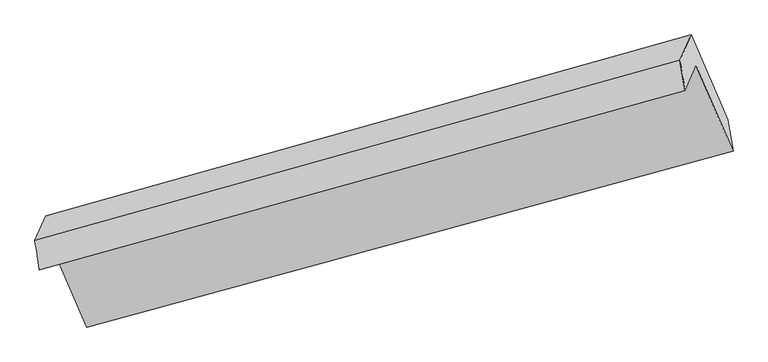
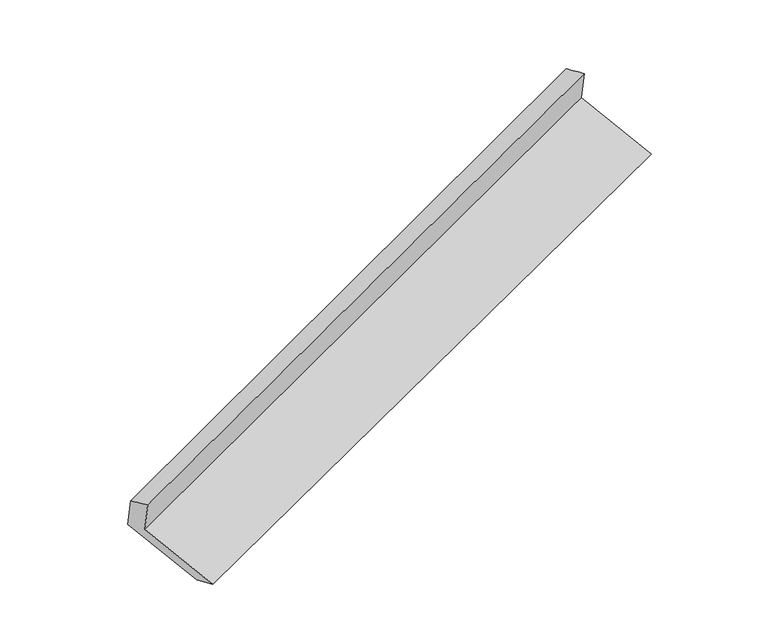
"""IFC4 building model written with IfcOpenShell, lengths in millimetres: proxy geometry."""

from ifc_helpers import new_model, si_unit, frame, origin, place, context, project, spatial, source, transform, mapped, element, save
from ifc_brep_helpers import plane_surface, spline_surface, advanced_brep


def generic_models_f556c92f(model_context):
    return source(origin(), model_context, "Body", "AdvancedBrep", [
        advanced_brep(
        [(-5147.1352809, -2132.7359506, 1488.718963), (-5070.8293603, -1957.3268997, 1138.2489518), (-732.411407, -757.0195904, 2706.3638129), (-806.8062136, -928.0354473, 3048.0561542), (-5176.4875549, -1935.9725366, 1414.502762), (-839.8713221, -722.6704114, 2977.3366605), (-5104.0038625, -1769.3498737, 1081.5880906), (-765.4765156, -551.6545546, 2635.6443192), (-4858.1259875, -2338.9816306, 850.0229763), (-519.5986406, -1121.2863114, 2404.0792049), (-4828.6643198, -2518.3570348, 910.1805448), (-482.8206974, -1335.2529691, 2471.3019913)],
        [
            (0, 1),
            (1, 2),
            (2, 3),
            (3, 0),
            (4, 0),
            (3, 5),
            (5, 4),
            (6, 4),
            (5, 7),
            (7, 6),
            (8, 6),
            (7, 9),
            (9, 8),
            (10, 8),
            (9, 11),
            (11, 10),
            (1, 10),
            (11, 2),
        ],
        [
            plane_surface(frame((-5108.9823206, -2045.0314252, 1313.4839574), z_axis=(0.36555740727026065, -0.8617756770956699, -0.35172498398058744), x_axis=(0.1911114114584074, 0.439319400063896, -0.8777669925087601))),
            spline_surface(1, 1, [[(-5176.4875549, -1935.9725366, 1414.502762), (-839.8713221, -722.6704114, 2977.3366605)], [(-5147.1352809, -2132.7359506, 1488.718963), (-806.8062136, -928.0354473, 3048.0561542)]], [2, 2], [2, 2], [0.0, 1.0], [0.0, 1.0]),
            plane_surface(frame((-5140.2457087, -1852.6612051, 1248.0454263), z_axis=(-0.3674676830009793, 0.8612416417989193, 0.35104178722966006), x_axis=(-0.19111141145840732, -0.4393194000638965, 0.8777669925087599))),
            plane_surface(frame((-4981.064925, -2054.1657521, 965.8055335), z_axis=(0.19111141145840488, 0.4393194000638996, -0.877766992508759), x_axis=(-0.3712834581695742, 0.8601621784065968, 0.34967073158681733))),
            spline_surface(1, 1, [[(-4828.6643198, -2518.3570348, 910.1805448), (-482.8206974, -1335.2529691, 2471.3019913)], [(-4858.1259875, -2338.9816306, 850.0229763), (-519.5986406, -1121.2863114, 2404.0792049)]], [2, 2], [2, 2], [0.0, 1.0], [0.0, 1.0]),
            plane_surface(frame((-4949.74684, -2237.8419673, 1024.2147483), z_axis=(-0.1949222360969624, -0.4404025679615795, 0.8763851322379943), x_axis=(0.3712834581695742, -0.8601621784065984, -0.34967073158681355))),
            plane_surface(frame((-691.1641327, -902.653214, 2707.1303572), z_axis=(0.9086391044303662, 0.25907429738650856, 0.3274988340951293), x_axis=(-0.3712834581695742, 0.8601621784065968, 0.34967073158681733))),
            plane_surface(frame((-5030.8743943, -2108.787321, 1147.2103814), z_axis=(-0.9086391044303458, -0.2590742973865554, -0.32749883409514924), x_axis=(-0.19111141145840865, -0.43931940006389564, 0.8777669925087601))),
        ],
        [
            (0, [[1, 2, 3, 4]]),
            (1, [[5, -4, 6, 7]]),
            (2, [[8, -7, 9, 10]]),
            (3, [[11, -10, 12, 13]]),
            (4, [[14, -13, 15, 16]]),
            (5, [[17, -16, 18, -2]]),
            (6, [[-12, -9, -6, -3, -18, -15]]),
            (7, [[-1, -5, -8, -11, -14, -17]]),
        ],
    ),
    ])


if __name__ == "__main__":
    model = new_model("IFC4")
    model_context = context("Model", 3, world=origin())
    ifc_project = project(units=[si_unit("LENGTHUNIT", "METRE", prefix="MILLI")], contexts=[model_context])
    site = spatial("IfcSite", under=ifc_project)
    building = spatial("IfcBuilding", under=site)
    placement = place(None, origin())
    generic_models_shape = generic_models_f556c92f(model_context)
    element("IfcBuildingElementProxy", 1, Name="Generic Models", at=placement, inside=building, context=model_context, shape_type="MappedRepresentation", body=[
        mapped(generic_models_shape, transform((0.0, 0.0, 0.0), x_axis=(1.0, 0.0, 0.0), y_axis=(0.0, 1.0, 0.0), z_axis=(0.0, 0.0, 1.0))),
    ])
    save(model, "model.ifc")
